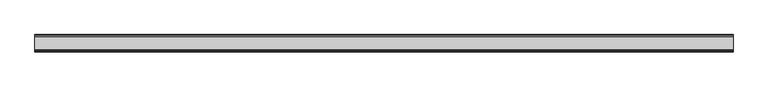
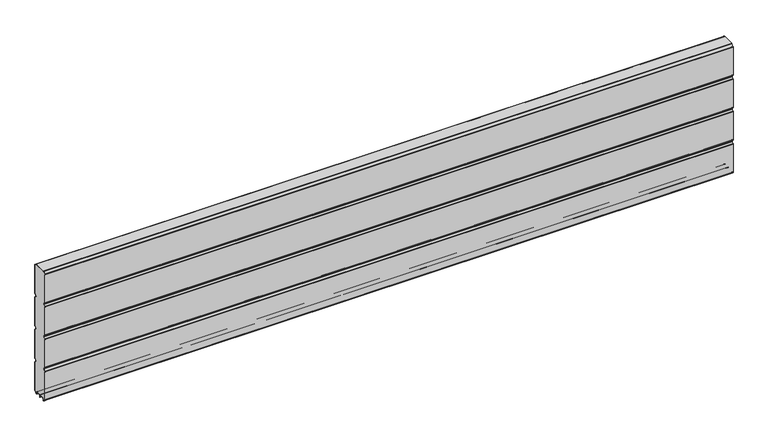
"""IFC4 building model written with IfcOpenShell, lengths in millimetres: plate geometry."""

from ifc_helpers import new_model, si_unit, point, frame, frame_2d, origin, place, context, project, spatial, polyline, circle_curve, trimmed, segment, composite_curve, outline, extrude, source, transform, mapped, element, save


def plate_7aa1e52e(model_context):
    return source(origin(), model_context, "Body", "SweptSolid", [
        extrude(outline(composite_curve([segment(polyline([(-29.2650466, 451.7624879), (-35.7138292, 458.2112702)]), True, "CONTINUOUS"), segment(trimmed(circle_curve(frame_2d((-34.2991913, 459.6259081)), 2.0006001), [point((-35.7138292, 458.2112702))], [point((-36.2997914, 459.6259081))], False, "CARTESIAN"), True, "CONTINUOUS"), segment(polyline([(-36.2997914, 459.6259081), (-36.2997914, 588.874925)]), True, "CONTINUOUS"), segment(trimmed(circle_curve(frame_2d((-34.3025404, 588.8763112)), 1.9972515), [point((-36.2997914, 588.874925))], [point((-35.7145328, 590.2888589))], False, "CARTESIAN"), True, "CONTINUOUS"), segment(polyline([(-35.7145328, 590.2888589), (-27.7860861, 598.2141893)]), True, "CONTINUOUS"), segment(trimmed(circle_curve(frame_2d((-26.3717262, 596.7992733)), 2.0006002), [point((-27.7860861, 598.2141893))], [point((-26.3717262, 598.7998734))], False, "CARTESIAN"), True, "CONTINUOUS"), segment(polyline([(-26.3717262, 598.7998734), (26.3717262, 598.7998734)]), True, "CONTINUOUS"), segment(trimmed(circle_curve(frame_2d((26.3717262, 596.7992733)), 2.0006002), [point((26.3717262, 598.7998734))], [point((27.7860861, 598.2141893))], False, "CARTESIAN"), True, "CONTINUOUS"), segment(polyline([(27.7860861, 598.2141893), (35.7145328, 590.2888589)]), True, "CONTINUOUS"), segment(trimmed(circle_curve(frame_2d((34.3025404, 588.8763112)), 1.9972515), [point((35.7145328, 590.2888589))], [point((36.2997914, 588.874925))], False, "CARTESIAN"), True, "CONTINUOUS"), segment(polyline([(36.2997914, 588.874925), (36.2997914, 459.6259081)]), True, "CONTINUOUS"), segment(trimmed(circle_curve(frame_2d((34.2991913, 459.6259081)), 2.0006001), [point((36.2997914, 459.6259081))], [point((35.7138292, 458.2112702))], False, "CARTESIAN"), True, "CONTINUOUS"), segment(polyline([(35.7138292, 458.2112702), (29.2650466, 451.7624879)]), True, "CONTINUOUS"), segment(trimmed(circle_curve(frame_2d((31.5325895, 449.4949449)), 3.20679), [point((29.2650466, 451.7624879))], [point((29.114664, 447.3884934))], True, "CARTESIAN"), True, "CONTINUOUS"), segment(polyline([(29.114664, 447.3884934), (35.7138291, 440.7893285)]), True, "CONTINUOUS"), segment(trimmed(circle_curve(frame_2d((34.2991912, 439.3746906)), 2.0006001), [point((35.7138291, 440.7893285))], [point((36.2997913, 439.3746906))], False, "CARTESIAN"), True, "CONTINUOUS"), segment(polyline([(36.2997913, 439.3746906), (36.2997913, 309.6259081)]), True, "CONTINUOUS"), segment(trimmed(circle_curve(frame_2d((34.2991912, 309.6259081)), 2.0006001), [point((36.2997913, 309.6259081))], [point((35.7138291, 308.2112702))], False, "CARTESIAN"), True, "CONTINUOUS"), segment(polyline([(35.7138291, 308.2112702), (29.2650466, 301.7624879)]), True, "CONTINUOUS"), segment(trimmed(circle_curve(frame_2d((31.5325895, 299.4949449)), 3.20679), [point((29.2650466, 301.7624879))], [point((29.4261379, 297.0770195))], True, "CARTESIAN"), True, "CONTINUOUS"), segment(polyline([(29.4261379, 297.0770195), (35.7138291, 290.7893285)]), True, "CONTINUOUS"), segment(trimmed(circle_curve(frame_2d((34.2991912, 289.3746906)), 2.0006001), [point((35.7138291, 290.7893285))], [point((36.2997913, 289.3746906))], False, "CARTESIAN"), True, "CONTINUOUS"), segment(polyline([(36.2997913, 289.3746906), (36.2997913, 159.6246474)]), True, "CONTINUOUS"), segment(trimmed(circle_curve(frame_2d((34.2991912, 159.6246474)), 2.0006001), [point((36.2997913, 159.6246474))], [point((35.7138291, 158.2100095))], False, "CARTESIAN"), True, "CONTINUOUS"), segment(polyline([(35.7138291, 158.2100095), (29.2650466, 151.7612271)]), True, "CONTINUOUS"), segment(trimmed(circle_curve(frame_2d((31.5325895, 149.4936842)), 3.20679), [point((29.2650466, 151.7612271))], [point((29.114664, 147.3872326))], True, "CARTESIAN"), True, "CONTINUOUS"), segment(polyline([(29.114664, 147.3872326), (35.7138292, 140.7880678)]), True, "CONTINUOUS"), segment(trimmed(circle_curve(frame_2d((34.2991912, 139.3734299)), 2.0006001), [point((35.7138292, 140.7880678))], [point((36.2997914, 139.3734299))], False, "CARTESIAN"), True, "CONTINUOUS"), segment(polyline([(36.2997914, 139.3734299), (36.2997914, 10.1250796)]), True, "CONTINUOUS"), segment(trimmed(circle_curve(frame_2d((34.299192, 10.1250796)), 2.0005994), [point((36.2997914, 10.1250796))], [point((35.7138294, 8.7104422))], False, "CARTESIAN"), True, "CONTINUOUS"), segment(polyline([(35.7138294, 8.7104422), (28.7893255, 1.7859383)]), True, "CONTINUOUS"), segment(trimmed(circle_curve(frame_2d((27.3158157, 3.2594482)), 2.0838576), [point((28.7893255, 1.7859383))], [point((25.2327947, 3.2004014))], False, "CARTESIAN"), True, "CONTINUOUS"), segment(polyline([(25.2327947, 3.2004014), (25.2327947, 7.9999453)]), True, "CONTINUOUS"), segment(trimmed(circle_curve(frame_2d((22.0323933, 7.9999453)), 3.2004014), [point((25.2327947, 7.9999453))], [point((22.0323933, 11.2003467))], True, "CARTESIAN"), True, "CONTINUOUS"), segment(polyline([(22.0323933, 11.2003467), (3.1993432, 11.2003467)]), True, "CONTINUOUS"), segment(trimmed(circle_curve(frame_2d((3.1993432, 8.0010035)), 3.1993432), [point((3.1993432, 11.2003467))], [point((0.0, 8.0010035))], True, "CARTESIAN"), True, "CONTINUOUS"), segment(trimmed(circle_curve(frame_2d((-3.1993432, 8.0010035)), 3.1993432), [point((0.0, 8.0010035))], [point((-3.1993432, 11.2003467))], True, "CARTESIAN"), True, "CONTINUOUS"), segment(polyline([(-3.1993432, 11.2003467), (-22.0323933, 11.2003467)]), True, "CONTINUOUS"), segment(trimmed(circle_curve(frame_2d((-22.0323933, 7.9999453)), 3.2004014), [point((-22.0323933, 11.2003467))], [point((-25.2327947, 7.9999453))], True, "CARTESIAN"), True, "CONTINUOUS"), segment(polyline([(-25.2327947, 7.9999453), (-25.2327947, 3.2004014)]), True, "CONTINUOUS"), segment(trimmed(circle_curve(frame_2d((-27.3158157, 3.2594482)), 2.0838576), [point((-25.2327947, 3.2004014))], [point((-28.7893255, 1.7859383))], False, "CARTESIAN"), True, "CONTINUOUS"), segment(polyline([(-28.7893255, 1.7859383), (-35.7138294, 8.7104422)]), True, "CONTINUOUS"), segment(trimmed(circle_curve(frame_2d((-34.299192, 10.1250796)), 2.0005994), [point((-35.7138294, 8.7104422))], [point((-36.2997914, 10.1250796))], False, "CARTESIAN"), True, "CONTINUOUS"), segment(polyline([(-36.2997914, 10.1250796), (-36.2997914, 139.3734299)]), True, "CONTINUOUS"), segment(trimmed(circle_curve(frame_2d((-34.2991912, 139.3734299)), 2.0006001), [point((-36.2997914, 139.3734299))], [point((-35.7138292, 140.7880678))], False, "CARTESIAN"), True, "CONTINUOUS"), segment(polyline([(-35.7138292, 140.7880678), (-29.114664, 147.3872326)]), True, "CONTINUOUS"), segment(trimmed(circle_curve(frame_2d((-31.5325895, 149.4936842)), 3.20679), [point((-29.114664, 147.3872326))], [point((-29.2650466, 151.7612271))], True, "CARTESIAN"), True, "CONTINUOUS"), segment(polyline([(-29.2650466, 151.7612271), (-35.7138291, 158.2100095)]), True, "CONTINUOUS"), segment(trimmed(circle_curve(frame_2d((-34.2991912, 159.6246474)), 2.0006001), [point((-35.7138291, 158.2100095))], [point((-36.2997913, 159.6246474))], False, "CARTESIAN"), True, "CONTINUOUS"), segment(polyline([(-36.2997913, 159.6246474), (-36.2997913, 289.3746906)]), True, "CONTINUOUS"), segment(trimmed(circle_curve(frame_2d((-34.2991912, 289.3746906)), 2.0006001), [point((-36.2997913, 289.3746906))], [point((-35.7138291, 290.7893285))], False, "CARTESIAN"), True, "CONTINUOUS"), segment(polyline([(-35.7138291, 290.7893285), (-29.4261379, 297.0770195)]), True, "CONTINUOUS"), segment(trimmed(circle_curve(frame_2d((-31.5325895, 299.4949449)), 3.20679), [point((-29.4261379, 297.0770195))], [point((-29.2650466, 301.7624879))], True, "CARTESIAN"), True, "CONTINUOUS"), segment(polyline([(-29.2650466, 301.7624879), (-35.7138291, 308.2112702)]), True, "CONTINUOUS"), segment(trimmed(circle_curve(frame_2d((-34.2991912, 309.6259081)), 2.0006001), [point((-35.7138291, 308.2112702))], [point((-36.2997913, 309.6259081))], False, "CARTESIAN"), True, "CONTINUOUS"), segment(polyline([(-36.2997913, 309.6259081), (-36.2997913, 439.3746906)]), True, "CONTINUOUS"), segment(trimmed(circle_curve(frame_2d((-34.2991912, 439.3746906)), 2.0006001), [point((-36.2997913, 439.3746906))], [point((-35.7138291, 440.7893285))], False, "CARTESIAN"), True, "CONTINUOUS"), segment(polyline([(-35.7138291, 440.7893285), (-29.114664, 447.3884934)]), True, "CONTINUOUS"), segment(trimmed(circle_curve(frame_2d((-31.5325895, 449.4949449)), 3.20679), [point((-29.114664, 447.3884934))], [point((-29.2650466, 451.7624879))], True, "CARTESIAN"), True, "CONTINUOUS")], self_intersect=False)), frame((-1504.8858409, 0.0, 0.0), z_axis=(1.0, 0.0, 0.0), x_axis=(0.0, 1.0, 0.0)), (0.0, 0.0, 1.0), 3009.7716819),
        extrude(outline(composite_curve([segment(trimmed(circle_curve(frame_2d((-34.299418, 588.8742584)), 3.200524), [point((-37.499942, 588.8742584))], [point((-36.5622582, 591.1376426))], False, "CARTESIAN"), True, "CONTINUOUS"), segment(polyline([(-36.5622582, 591.1376426), (-28.6355395, 599.0624563)]), True, "CONTINUOUS"), segment(trimmed(circle_curve(frame_2d((-26.3720296, 596.7984023)), 3.2014711), [point((-28.6355395, 599.0624563))], [point((-26.3720296, 599.9998734))], False, "CARTESIAN"), True, "CONTINUOUS"), segment(polyline([(-26.3720296, 599.9998734), (26.3720296, 599.9998734)]), True, "CONTINUOUS"), segment(trimmed(circle_curve(frame_2d((26.3720296, 596.7984023)), 3.2014711), [point((26.3720296, 599.9998734))], [point((28.6355395, 599.0624563))], False, "CARTESIAN"), True, "CONTINUOUS"), segment(polyline([(28.6355395, 599.0624563), (36.5622582, 591.1376426)]), True, "CONTINUOUS"), segment(trimmed(circle_curve(frame_2d((34.299418, 588.8742584)), 3.200524), [point((36.5622582, 591.1376426))], [point((37.499942, 588.8742584))], False, "CARTESIAN"), True, "CONTINUOUS"), segment(polyline([(37.499942, 588.8742584), (37.499942, 459.6259081)]), True, "CONTINUOUS"), segment(trimmed(circle_curve(frame_2d((34.3010265, 459.6259081)), 3.1989155), [point((37.499942, 459.6259081))], [point((36.5630013, 457.3639333))], False, "CARTESIAN"), True, "CONTINUOUS"), segment(polyline([(36.5630013, 457.3639333), (30.1138303, 450.9147625)]), True, "CONTINUOUS"), segment(trimmed(circle_curve(frame_2d((31.5282934, 449.5002993)), 2.000353), [point((30.1138303, 450.9147625))], [point((30.1138303, 448.0858362))], True, "CARTESIAN"), True, "CONTINUOUS"), segment(polyline([(30.1138303, 448.0858362), (36.5630013, 441.6366654)]), True, "CONTINUOUS"), segment(trimmed(circle_curve(frame_2d((34.3010265, 439.3746906)), 3.1989154), [point((36.5630013, 441.6366654))], [point((37.4999419, 439.3746906))], False, "CARTESIAN"), True, "CONTINUOUS"), segment(polyline([(37.4999419, 439.3746906), (37.4999419, 309.6259081)]), True, "CONTINUOUS"), segment(trimmed(circle_curve(frame_2d((34.3010265, 309.6259081)), 3.1989154), [point((37.4999419, 309.6259081))], [point((36.5630013, 307.3639333))], False, "CARTESIAN"), True, "CONTINUOUS"), segment(polyline([(36.5630013, 307.3639333), (30.1138303, 300.9147625)]), True, "CONTINUOUS"), segment(trimmed(circle_curve(frame_2d((31.5282934, 299.5002993)), 2.000353), [point((30.1138303, 300.9147625))], [point((30.1138303, 298.0858362))], True, "CARTESIAN"), True, "CONTINUOUS"), segment(polyline([(30.1138303, 298.0858362), (36.5630013, 291.6366654)]), True, "CONTINUOUS"), segment(trimmed(circle_curve(frame_2d((34.3010265, 289.3746906)), 3.1989154), [point((36.5630013, 291.6366654))], [point((37.4999419, 289.3746906))], False, "CARTESIAN"), True, "CONTINUOUS"), segment(polyline([(37.4999419, 289.3746906), (37.4999419, 159.6246474)]), True, "CONTINUOUS"), segment(trimmed(circle_curve(frame_2d((34.3010265, 159.6246474)), 3.1989154), [point((37.4999419, 159.6246474))], [point((36.5630013, 157.3626726))], False, "CARTESIAN"), True, "CONTINUOUS"), segment(polyline([(36.5630013, 157.3626726), (30.1138303, 150.9135018)]), True, "CONTINUOUS"), segment(trimmed(circle_curve(frame_2d((31.5282934, 149.4990386)), 2.000353), [point((30.1138303, 150.9135018))], [point((30.1138303, 148.0845755))], True, "CARTESIAN"), True, "CONTINUOUS"), segment(polyline([(30.1138303, 148.0845755), (36.5630013, 141.6354046)]), True, "CONTINUOUS"), segment(trimmed(circle_curve(frame_2d((34.3010265, 139.3734298)), 3.1989154), [point((36.5630013, 141.6354046))], [point((37.4999419, 139.3734298))], False, "CARTESIAN"), True, "CONTINUOUS"), segment(polyline([(37.4999419, 139.3734298), (37.4999419, 10.1250796)]), True, "CONTINUOUS"), segment(trimmed(circle_curve(frame_2d((34.3010265, 10.1250796)), 3.1989154), [point((37.4999419, 10.1250796))], [point((36.5630004, 7.8631039))], False, "CARTESIAN"), True, "CONTINUOUS"), segment(polyline([(36.5630004, 7.8631039), (29.6332576, 0.9333666)]), True, "CONTINUOUS"), segment(trimmed(circle_curve(frame_2d((27.311397, 3.255229)), 3.283608), [point((29.6332576, 0.9333666))], [point((24.0283217, 3.1960843))], False, "CARTESIAN"), True, "CONTINUOUS"), segment(polyline([(24.0283217, 3.1960843), (24.0326442, 7.9999453)]), True, "CONTINUOUS"), segment(trimmed(circle_curve(frame_2d((22.0341915, 8.0017435)), 1.9984535), [point((24.0326442, 7.9999453))], [point((22.0323933, 10.0001962))], True, "CARTESIAN"), True, "CONTINUOUS"), segment(polyline([(22.0323933, 10.0001962), (3.1993432, 10.0001962)]), True, "CONTINUOUS"), segment(trimmed(circle_curve(frame_2d((3.1993432, 8.0010035)), 1.9991927), [point((3.1993432, 10.0001962))], [point((1.2001505, 8.0010035))], True, "CARTESIAN"), True, "CONTINUOUS"), segment(polyline([(1.2001505, 8.0010035), (1.2001504, 0.0), (0.0, 0.0), (-1.2001504, 0.0), (-1.2001504, 8.0010034)]), True, "CONTINUOUS"), segment(trimmed(circle_curve(frame_2d((-3.1993432, 8.0010035)), 1.9991928), [point((-1.2001504, 8.0010034))], [point((-3.1993432, 10.0001963))], True, "CARTESIAN"), True, "CONTINUOUS"), segment(polyline([(-3.1993432, 10.0001963), (-22.0323933, 10.0001962)]), True, "CONTINUOUS"), segment(trimmed(circle_curve(frame_2d((-22.0341915, 8.0017435)), 1.9984535), [point((-22.0323933, 10.0001962))], [point((-24.0326442, 7.9999453))], True, "CARTESIAN"), True, "CONTINUOUS"), segment(polyline([(-24.0326442, 7.9999453), (-24.0283217, 3.1960843)]), True, "CONTINUOUS"), segment(trimmed(circle_curve(frame_2d((-27.311397, 3.255229)), 3.283608), [point((-24.0283217, 3.1960843))], [point((-29.6332576, 0.9333666))], False, "CARTESIAN"), True, "CONTINUOUS"), segment(polyline([(-29.6332576, 0.9333666), (-36.5630004, 7.8631039)]), True, "CONTINUOUS"), segment(trimmed(circle_curve(frame_2d((-34.3010265, 10.1250796)), 3.1989154), [point((-36.5630004, 7.8631039))], [point((-37.4999419, 10.1250796))], False, "CARTESIAN"), True, "CONTINUOUS"), segment(polyline([(-37.4999419, 10.1250796), (-37.4999419, 139.3734298)]), True, "CONTINUOUS"), segment(trimmed(circle_curve(frame_2d((-34.3010265, 139.3734298)), 3.1989154), [point((-37.4999419, 139.3734298))], [point((-36.5630013, 141.6354046))], False, "CARTESIAN"), True, "CONTINUOUS"), segment(polyline([(-36.5630013, 141.6354046), (-30.1138303, 148.0845755)]), True, "CONTINUOUS"), segment(trimmed(circle_curve(frame_2d((-31.5282934, 149.4990386)), 2.000353), [point((-30.1138303, 148.0845755))], [point((-30.1138303, 150.9135018))], True, "CARTESIAN"), True, "CONTINUOUS"), segment(polyline([(-30.1138303, 150.9135018), (-36.5630013, 157.3626726)]), True, "CONTINUOUS"), segment(trimmed(circle_curve(frame_2d((-34.3010265, 159.6246474)), 3.1989154), [point((-36.5630013, 157.3626726))], [point((-37.4999419, 159.6246474))], False, "CARTESIAN"), True, "CONTINUOUS"), segment(polyline([(-37.4999419, 159.6246474), (-37.4999419, 289.3746906)]), True, "CONTINUOUS"), segment(trimmed(circle_curve(frame_2d((-34.3010265, 289.3746906)), 3.1989154), [point((-37.4999419, 289.3746906))], [point((-36.5630013, 291.6366653))], False, "CARTESIAN"), True, "CONTINUOUS"), segment(polyline([(-36.5630013, 291.6366653), (-30.1138303, 298.0858362)]), True, "CONTINUOUS"), segment(trimmed(circle_curve(frame_2d((-31.5282934, 299.5002993)), 2.000353), [point((-30.1138303, 298.0858362))], [point((-30.1138303, 300.9147625))], True, "CARTESIAN"), True, "CONTINUOUS"), segment(polyline([(-30.1138303, 300.9147625), (-36.5630013, 307.3639333)]), True, "CONTINUOUS"), segment(trimmed(circle_curve(frame_2d((-34.3010265, 309.6259081)), 3.1989154), [point((-36.5630013, 307.3639333))], [point((-37.4999419, 309.6259081))], False, "CARTESIAN"), True, "CONTINUOUS"), segment(polyline([(-37.4999419, 309.6259081), (-37.4999419, 439.3746906)]), True, "CONTINUOUS"), segment(trimmed(circle_curve(frame_2d((-34.3010265, 439.3746906)), 3.1989154), [point((-37.4999419, 439.3746906))], [point((-36.5630013, 441.6366653))], False, "CARTESIAN"), True, "CONTINUOUS"), segment(polyline([(-36.5630013, 441.6366653), (-30.1138303, 448.0858362)]), True, "CONTINUOUS"), segment(trimmed(circle_curve(frame_2d((-31.5282934, 449.5002993)), 2.000353), [point((-30.1138303, 448.0858362))], [point((-30.1138303, 450.9147625))], True, "CARTESIAN"), True, "CONTINUOUS"), segment(polyline([(-30.1138303, 450.9147625), (-36.5630013, 457.3639333)]), True, "CONTINUOUS"), segment(trimmed(circle_curve(frame_2d((-34.3010265, 459.6259081)), 3.1989155), [point((-36.5630013, 457.3639333))], [point((-37.499942, 459.6259081))], False, "CARTESIAN"), True, "CONTINUOUS"), segment(polyline([(-37.499942, 459.6259081), (-37.499942, 588.8742584)]), True, "CONTINUOUS")], self_intersect=False), holes=[composite_curve([segment(trimmed(circle_curve(frame_2d((-31.5325895, 449.4949449)), 3.20679), [point((-29.2650466, 451.7624879))], [point((-29.114664, 447.3884934))], False, "CARTESIAN"), True, "CONTINUOUS"), segment(polyline([(-29.114664, 447.3884934), (-35.7138291, 440.7893285)]), True, "CONTINUOUS"), segment(trimmed(circle_curve(frame_2d((-34.2991912, 439.3746906)), 2.0006001), [point((-35.7138291, 440.7893285))], [point((-36.2997913, 439.3746906))], True, "CARTESIAN"), True, "CONTINUOUS"), segment(polyline([(-36.2997913, 439.3746906), (-36.2997913, 309.6259081)]), True, "CONTINUOUS"), segment(trimmed(circle_curve(frame_2d((-34.2991912, 309.6259081)), 2.0006001), [point((-36.2997913, 309.6259081))], [point((-35.7138291, 308.2112702))], True, "CARTESIAN"), True, "CONTINUOUS"), segment(polyline([(-35.7138291, 308.2112702), (-29.2650466, 301.7624879)]), True, "CONTINUOUS"), segment(trimmed(circle_curve(frame_2d((-31.5325895, 299.4949449)), 3.20679), [point((-29.2650466, 301.7624879))], [point((-29.4261379, 297.0770195))], False, "CARTESIAN"), True, "CONTINUOUS"), segment(polyline([(-29.4261379, 297.0770195), (-35.7138291, 290.7893285)]), True, "CONTINUOUS"), segment(trimmed(circle_curve(frame_2d((-34.2991912, 289.3746906)), 2.0006001), [point((-35.7138291, 290.7893285))], [point((-36.2997913, 289.3746906))], True, "CARTESIAN"), True, "CONTINUOUS"), segment(polyline([(-36.2997913, 289.3746906), (-36.2997913, 159.6246474)]), True, "CONTINUOUS"), segment(trimmed(circle_curve(frame_2d((-34.2991912, 159.6246474)), 2.0006001), [point((-36.2997913, 159.6246474))], [point((-35.7138291, 158.2100095))], True, "CARTESIAN"), True, "CONTINUOUS"), segment(polyline([(-35.7138291, 158.2100095), (-29.2650466, 151.7612271)]), True, "CONTINUOUS"), segment(trimmed(circle_curve(frame_2d((-31.5325895, 149.4936842)), 3.20679), [point((-29.2650466, 151.7612271))], [point((-29.114664, 147.3872326))], False, "CARTESIAN"), True, "CONTINUOUS"), segment(polyline([(-29.114664, 147.3872326), (-35.7138292, 140.7880677)]), True, "CONTINUOUS"), segment(trimmed(circle_curve(frame_2d((-34.2991912, 139.3734298)), 2.0006001), [point((-35.7138292, 140.7880677))], [point((-36.2997914, 139.3734298))], True, "CARTESIAN"), True, "CONTINUOUS"), segment(polyline([(-36.2997914, 139.3734298), (-36.2997914, 10.1250796)]), True, "CONTINUOUS"), segment(trimmed(circle_curve(frame_2d((-34.299192, 10.1250796)), 2.0005994), [point((-36.2997914, 10.1250796))], [point((-35.7138294, 8.7104422))], True, "CARTESIAN"), True, "CONTINUOUS"), segment(polyline([(-35.7138294, 8.7104422), (-28.7893255, 1.7859383)]), True, "CONTINUOUS"), segment(trimmed(circle_curve(frame_2d((-27.3158157, 3.2594482)), 2.0838576), [point((-28.7893255, 1.7859383))], [point((-25.2327947, 3.2004014))], True, "CARTESIAN"), True, "CONTINUOUS"), segment(polyline([(-25.2327947, 3.2004014), (-25.2327947, 7.9999453)]), True, "CONTINUOUS"), segment(trimmed(circle_curve(frame_2d((-22.0323933, 7.9999453)), 3.2004014), [point((-25.2327947, 7.9999453))], [point((-22.0323933, 11.2003467))], False, "CARTESIAN"), True, "CONTINUOUS"), segment(polyline([(-22.0323933, 11.2003467), (-3.1993432, 11.2003467)]), True, "CONTINUOUS"), segment(trimmed(circle_curve(frame_2d((-3.1993432, 8.0010035)), 3.1993432), [point((-3.1993432, 11.2003467))], [point((0.0, 8.0010035))], False, "CARTESIAN"), True, "CONTINUOUS"), segment(trimmed(circle_curve(frame_2d((3.1993432, 8.0010035)), 3.1993432), [point((0.0, 8.0010035))], [point((3.1993432, 11.2003467))], False, "CARTESIAN"), True, "CONTINUOUS"), segment(polyline([(3.1993432, 11.2003467), (22.0323933, 11.2003467)]), True, "CONTINUOUS"), segment(trimmed(circle_curve(frame_2d((22.0323933, 7.9999453)), 3.2004014), [point((22.0323933, 11.2003467))], [point((25.2327947, 7.9999453))], False, "CARTESIAN"), True, "CONTINUOUS"), segment(polyline([(25.2327947, 7.9999453), (25.2327947, 3.2004014)]), True, "CONTINUOUS"), segment(trimmed(circle_curve(frame_2d((27.3158157, 3.2594482)), 2.0838576), [point((25.2327947, 3.2004014))], [point((28.7893255, 1.7859383))], True, "CARTESIAN"), True, "CONTINUOUS"), segment(polyline([(28.7893255, 1.7859383), (35.7138294, 8.7104422)]), True, "CONTINUOUS"), segment(trimmed(circle_curve(frame_2d((34.299192, 10.1250796)), 2.0005994), [point((35.7138294, 8.7104422))], [point((36.2997914, 10.1250796))], True, "CARTESIAN"), True, "CONTINUOUS"), segment(polyline([(36.2997914, 10.1250796), (36.2997914, 139.3734298)]), True, "CONTINUOUS"), segment(trimmed(circle_curve(frame_2d((34.2991912, 139.3734298)), 2.0006001), [point((36.2997914, 139.3734298))], [point((35.7138292, 140.7880678))], True, "CARTESIAN"), True, "CONTINUOUS"), segment(polyline([(35.7138292, 140.7880678), (29.114664, 147.3872326)]), True, "CONTINUOUS"), segment(trimmed(circle_curve(frame_2d((31.5325895, 149.4936842)), 3.20679), [point((29.114664, 147.3872326))], [point((29.2650466, 151.7612271))], False, "CARTESIAN"), True, "CONTINUOUS"), segment(polyline([(29.2650466, 151.7612271), (35.7138291, 158.2100095)]), True, "CONTINUOUS"), segment(trimmed(circle_curve(frame_2d((34.2991912, 159.6246474)), 2.0006001), [point((35.7138291, 158.2100095))], [point((36.2997913, 159.6246474))], True, "CARTESIAN"), True, "CONTINUOUS"), segment(polyline([(36.2997913, 159.6246474), (36.2997913, 289.3746906)]), True, "CONTINUOUS"), segment(trimmed(circle_curve(frame_2d((34.2991912, 289.3746906)), 2.0006001), [point((36.2997913, 289.3746906))], [point((35.7138291, 290.7893285))], True, "CARTESIAN"), True, "CONTINUOUS"), segment(polyline([(35.7138291, 290.7893285), (29.4261379, 297.0770195)]), True, "CONTINUOUS"), segment(trimmed(circle_curve(frame_2d((31.5325895, 299.4949449)), 3.20679), [point((29.4261379, 297.0770195))], [point((29.2650466, 301.7624879))], False, "CARTESIAN"), True, "CONTINUOUS"), segment(polyline([(29.2650466, 301.7624879), (35.7138291, 308.2112702)]), True, "CONTINUOUS"), segment(trimmed(circle_curve(frame_2d((34.2991912, 309.6259081)), 2.0006001), [point((35.7138291, 308.2112702))], [point((36.2997913, 309.6259081))], True, "CARTESIAN"), True, "CONTINUOUS"), segment(polyline([(36.2997913, 309.6259081), (36.2997913, 439.3746906)]), True, "CONTINUOUS"), segment(trimmed(circle_curve(frame_2d((34.2991912, 439.3746906)), 2.0006001), [point((36.2997913, 439.3746906))], [point((35.7138291, 440.7893285))], True, "CARTESIAN"), True, "CONTINUOUS"), segment(polyline([(35.7138291, 440.7893285), (29.114664, 447.3884934)]), True, "CONTINUOUS"), segment(trimmed(circle_curve(frame_2d((31.5325895, 449.4949449)), 3.20679), [point((29.114664, 447.3884934))], [point((29.2650466, 451.7624879))], False, "CARTESIAN"), True, "CONTINUOUS"), segment(polyline([(29.2650466, 451.7624879), (35.7138292, 458.2112702)]), True, "CONTINUOUS"), segment(trimmed(circle_curve(frame_2d((34.2991913, 459.6259081)), 2.0006001), [point((35.7138292, 458.2112702))], [point((36.2997914, 459.6259081))], True, "CARTESIAN"), True, "CONTINUOUS"), segment(polyline([(36.2997914, 459.6259081), (36.2997914, 588.874925)]), True, "CONTINUOUS"), segment(trimmed(circle_curve(frame_2d((34.3025404, 588.8763112)), 1.9972515), [point((36.2997914, 588.874925))], [point((35.7145328, 590.2888589))], True, "CARTESIAN"), True, "CONTINUOUS"), segment(polyline([(35.7145328, 590.2888589), (27.7860861, 598.2141893)]), True, "CONTINUOUS"), segment(trimmed(circle_curve(frame_2d((26.3717262, 596.7992733)), 2.0006002), [point((27.7860861, 598.2141893))], [point((26.3717262, 598.7998734))], True, "CARTESIAN"), True, "CONTINUOUS"), segment(polyline([(26.3717262, 598.7998734), (-26.3717262, 598.7998734)]), True, "CONTINUOUS"), segment(trimmed(circle_curve(frame_2d((-26.3717262, 596.7992733)), 2.0006002), [point((-26.3717262, 598.7998734))], [point((-27.7860861, 598.2141893))], True, "CARTESIAN"), True, "CONTINUOUS"), segment(polyline([(-27.7860861, 598.2141893), (-35.7145328, 590.2888589)]), True, "CONTINUOUS"), segment(trimmed(circle_curve(frame_2d((-34.3025404, 588.8763112)), 1.9972515), [point((-35.7145328, 590.2888589))], [point((-36.2997914, 588.874925))], True, "CARTESIAN"), True, "CONTINUOUS"), segment(polyline([(-36.2997914, 588.874925), (-36.2997914, 459.6259081)]), True, "CONTINUOUS"), segment(trimmed(circle_curve(frame_2d((-34.2991913, 459.6259081)), 2.0006001), [point((-36.2997914, 459.6259081))], [point((-35.7138292, 458.2112702))], True, "CARTESIAN"), True, "CONTINUOUS"), segment(polyline([(-35.7138292, 458.2112702), (-29.2650466, 451.7624879)]), True, "CONTINUOUS")], self_intersect=False)]), frame((-1504.8858409, 0.0, 0.0), z_axis=(1.0, 0.0, 0.0), x_axis=(0.0, 1.0, 0.0)), (0.0, 0.0, 1.0), 3009.7716819),
    ])


if __name__ == "__main__":
    model = new_model("IFC4")
    model_context = context("Model", 3, world=origin())
    ifc_project = project(units=[si_unit("LENGTHUNIT", "METRE", prefix="MILLI")], contexts=[model_context])
    site = spatial("IfcSite", under=ifc_project)
    building = spatial("IfcBuilding", under=site)
    placement = place(None, origin())
    plate_shape = plate_7aa1e52e(model_context)
    element("IfcPlate", 1, at=placement, inside=building, context=model_context, shape_type="MappedRepresentation", body=[
        mapped(plate_shape, transform((0.0, 0.0, 0.0), x_axis=(1.0, 0.0, 0.0), y_axis=(0.0, 1.0, 0.0), z_axis=(0.0, 0.0, 1.0))),
    ])
    save(model, "model.ifc")
